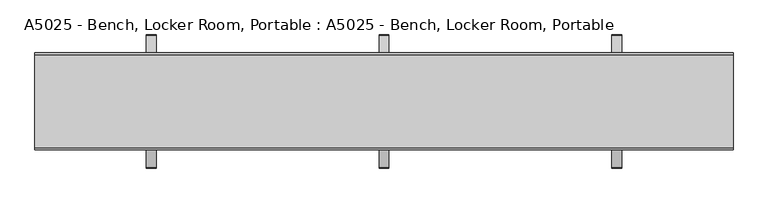
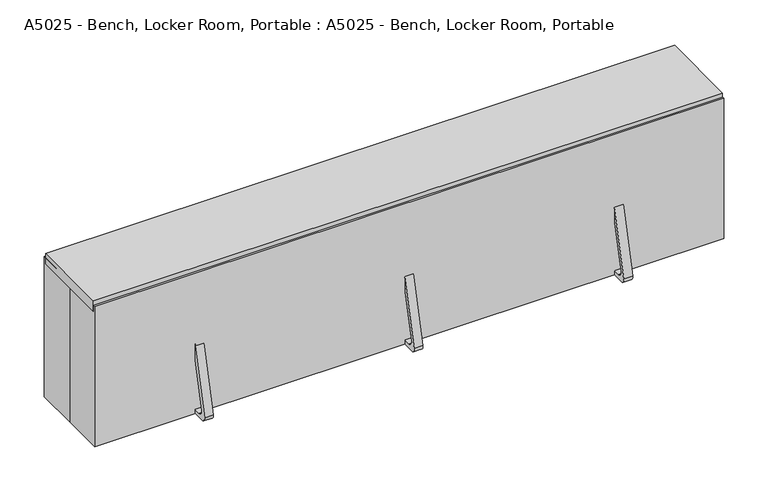
"""IFC4 building model written with IfcOpenShell, lengths in millimetres: proxy geometry, A5025 - Bench, Locker Room, Portable : A5025 - Bench, Locker Room, Portable."""

from ifc_helpers import new_model, si_unit, point, frame, frame_2d, origin, origin_with_axes, place, context, project, spatial, polyline, circle_curve, trimmed, segment, composite_curve, outline, extrude, source, transform, mapped, element, save


def a5025_bench_locker_room_portable_a5025_bench_locker_room_28ceb302(model_context):
    return source(origin(), model_context, "Body", "SweptSolid", [
        extrude(outline(composite_curve([segment(trimmed(circle_curve(frame_2d((161.5947469, 12.7)), 12.7), [point((173.9266358, 15.7355419))], [point((161.5947469, 0.0))], False, "CARTESIAN"), True, "CONTINUOUS"), segment(polyline([(161.5947469, 0.0), (0.0, 0.0), (-161.5947469, 0.0)]), True, "CONTINUOUS"), segment(trimmed(circle_curve(frame_2d((-161.5947469, 12.7)), 12.7), [point((-161.5947469, 0.0))], [point((-173.9266358, 15.7355419))], False, "CARTESIAN"), True, "CONTINUOUS"), segment(polyline([(-173.9266358, 15.7355419), (-76.2, 412.75), (0.0, 412.75), (76.2, 412.75), (173.9266358, 15.7355419)]), True, "CONTINUOUS")], self_intersect=False), holes=[composite_curve([segment(polyline([(0.0, 400.05), (-56.6732084, 400.05)]), True, "CONTINUOUS"), segment(trimmed(circle_curve(frame_2d((-56.6732084, 387.35)), 12.7), [point((-56.6732084, 400.05))], [point((-69.0050974, 390.3855419))], True, "CARTESIAN"), True, "CONTINUOUS"), segment(polyline([(-69.0050974, 390.3855419), (-158.100482, 28.4355419)]), True, "CONTINUOUS"), segment(trimmed(circle_curve(frame_2d((-145.768593, 25.4)), 12.7), [point((-158.100482, 28.4355419))], [point((-145.768593, 12.7))], True, "CARTESIAN"), True, "CONTINUOUS"), segment(polyline([(-145.768593, 12.7), (0.0, 12.7), (145.768593, 12.7)]), True, "CONTINUOUS"), segment(trimmed(circle_curve(frame_2d((145.768593, 25.4)), 12.7), [point((145.768593, 12.7))], [point((158.100482, 28.4355419))], True, "CARTESIAN"), True, "CONTINUOUS"), segment(polyline([(158.100482, 28.4355419), (69.0050974, 390.3855419)]), True, "CONTINUOUS"), segment(trimmed(circle_curve(frame_2d((56.6732084, 387.35)), 12.7), [point((69.0050974, 390.3855419))], [point((56.6732084, 400.05))], True, "CARTESIAN"), True, "CONTINUOUS"), segment(polyline([(56.6732084, 400.05), (0.0, 400.05)]), True, "CONTINUOUS")], self_intersect=False)]), frame((-12.7, 0.0, 0.0), z_axis=(1.0, 0.0, 0.0), x_axis=(0.0, 1.0, 0.0)), (0.0, 0.0, 1.0), 25.4),
        extrude(outline(composite_curve([segment(trimmed(circle_curve(frame_2d((161.5947469, 12.7)), 12.7), [point((173.9266358, 15.7355419))], [point((161.5947469, 0.0))], False, "CARTESIAN"), True, "CONTINUOUS"), segment(polyline([(161.5947469, 0.0), (0.0, 0.0), (-161.5947469, 0.0)]), True, "CONTINUOUS"), segment(trimmed(circle_curve(frame_2d((-161.5947469, 12.7)), 12.7), [point((-161.5947469, 0.0))], [point((-173.9266358, 15.7355419))], False, "CARTESIAN"), True, "CONTINUOUS"), segment(polyline([(-173.9266358, 15.7355419), (-76.2, 412.75), (0.0, 412.75), (76.2, 412.75), (173.9266358, 15.7355419)]), True, "CONTINUOUS")], self_intersect=False), holes=[composite_curve([segment(polyline([(0.0, 400.05), (-56.6732084, 400.05)]), True, "CONTINUOUS"), segment(trimmed(circle_curve(frame_2d((-56.6732084, 387.35)), 12.7), [point((-56.6732084, 400.05))], [point((-69.0050974, 390.3855419))], True, "CARTESIAN"), True, "CONTINUOUS"), segment(polyline([(-69.0050974, 390.3855419), (-158.100482, 28.4355419)]), True, "CONTINUOUS"), segment(trimmed(circle_curve(frame_2d((-145.768593, 25.4)), 12.7), [point((-158.100482, 28.4355419))], [point((-145.768593, 12.7))], True, "CARTESIAN"), True, "CONTINUOUS"), segment(polyline([(-145.768593, 12.7), (0.0, 12.7), (145.768593, 12.7)]), True, "CONTINUOUS"), segment(trimmed(circle_curve(frame_2d((145.768593, 25.4)), 12.7), [point((145.768593, 12.7))], [point((158.100482, 28.4355419))], True, "CARTESIAN"), True, "CONTINUOUS"), segment(polyline([(158.100482, 28.4355419), (69.0050974, 390.3855419)]), True, "CONTINUOUS"), segment(trimmed(circle_curve(frame_2d((56.6732084, 387.35)), 12.7), [point((69.0050974, 390.3855419))], [point((56.6732084, 400.05))], True, "CARTESIAN"), True, "CONTINUOUS"), segment(polyline([(56.6732084, 400.05), (0.0, 400.05)]), True, "CONTINUOUS")], self_intersect=False)]), frame((-622.3, 0.0, 0.0), z_axis=(1.0, 0.0, 0.0), x_axis=(0.0, 1.0, 0.0)), (0.0, 0.0, 1.0), 25.4),
        extrude(outline(composite_curve([segment(trimmed(circle_curve(frame_2d((161.5947469, 12.7)), 12.7), [point((173.9266358, 15.7355419))], [point((161.5947469, 0.0))], False, "CARTESIAN"), True, "CONTINUOUS"), segment(polyline([(161.5947469, 0.0), (0.0, 0.0), (-161.5947469, 0.0)]), True, "CONTINUOUS"), segment(trimmed(circle_curve(frame_2d((-161.5947469, 12.7)), 12.7), [point((-161.5947469, 0.0))], [point((-173.9266358, 15.7355419))], False, "CARTESIAN"), True, "CONTINUOUS"), segment(polyline([(-173.9266358, 15.7355419), (-76.2, 412.75), (0.0, 412.75), (76.2, 412.75), (173.9266358, 15.7355419)]), True, "CONTINUOUS")], self_intersect=False), holes=[composite_curve([segment(polyline([(0.0, 400.05), (-56.6732084, 400.05)]), True, "CONTINUOUS"), segment(trimmed(circle_curve(frame_2d((-56.6732084, 387.35)), 12.7), [point((-56.6732084, 400.05))], [point((-69.0050974, 390.3855419))], True, "CARTESIAN"), True, "CONTINUOUS"), segment(polyline([(-69.0050974, 390.3855419), (-158.100482, 28.4355419)]), True, "CONTINUOUS"), segment(trimmed(circle_curve(frame_2d((-145.768593, 25.4)), 12.7), [point((-158.100482, 28.4355419))], [point((-145.768593, 12.7))], True, "CARTESIAN"), True, "CONTINUOUS"), segment(polyline([(-145.768593, 12.7), (0.0, 12.7), (145.768593, 12.7)]), True, "CONTINUOUS"), segment(trimmed(circle_curve(frame_2d((145.768593, 25.4)), 12.7), [point((145.768593, 12.7))], [point((158.100482, 28.4355419))], True, "CARTESIAN"), True, "CONTINUOUS"), segment(polyline([(158.100482, 28.4355419), (69.0050974, 390.3855419)]), True, "CONTINUOUS"), segment(trimmed(circle_curve(frame_2d((56.6732084, 387.35)), 12.7), [point((69.0050974, 390.3855419))], [point((56.6732084, 400.05))], True, "CARTESIAN"), True, "CONTINUOUS"), segment(polyline([(56.6732084, 400.05), (0.0, 400.05)]), True, "CONTINUOUS")], self_intersect=False)]), frame((596.9, 0.0, 0.0), z_axis=(1.0, 0.0, 0.0), x_axis=(0.0, 1.0, 0.0)), (0.0, 0.0, 1.0), 25.4),
        extrude(outline(polyline([(914.4, 120.65), (914.4, -120.65), (-914.4, -120.65), (-914.4, 120.65), (914.4, 120.65)])), frame((0.0, 0.0, 412.75), z_axis=(0.0, 0.0, 1.0), x_axis=(1.0, 0.0, 0.0)), (0.0, 0.0, 1.0), 31.75),
        extrude(outline(polyline([(-914.4, 127.0), (914.4, 127.0), (914.4, -127.0), (-914.4, -127.0), (-914.4, 0.0), (-914.4, 127.0)])), origin_with_axes(), (0.0, 0.0, 1.0), 431.8),
    ])


if __name__ == "__main__":
    model = new_model("IFC4")
    model_context = context("Model", 3, world=origin())
    ifc_project = project(units=[si_unit("LENGTHUNIT", "METRE", prefix="MILLI")], contexts=[model_context])
    site = spatial("IfcSite", under=ifc_project)
    building = spatial("IfcBuilding", under=site)
    placement = place(None, origin())
    a5025_bench_locker_room_portable_a5025_bench_locker_room_shape = a5025_bench_locker_room_portable_a5025_bench_locker_room_28ceb302(model_context)
    element("IfcBuildingElementProxy", 1, Name="A5025 - Bench, Locker Room, Portable : A5025 - Bench, Locker Room, Portable", ObjectType="A5025 - Bench, Locker Room, Portable : A5025 - Bench, Locker Room, Portable", at=placement, inside=building, context=model_context, shape_type="MappedRepresentation", body=[
        mapped(a5025_bench_locker_room_portable_a5025_bench_locker_room_shape, transform((0.0, 0.0, 0.0), x_axis=(1.0, 0.0, 0.0), y_axis=(0.0, 1.0, 0.0), z_axis=(0.0, 0.0, 1.0))),
    ])
    save(model, "model.ifc")
